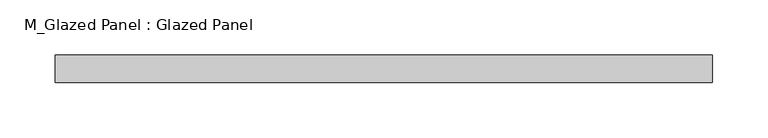
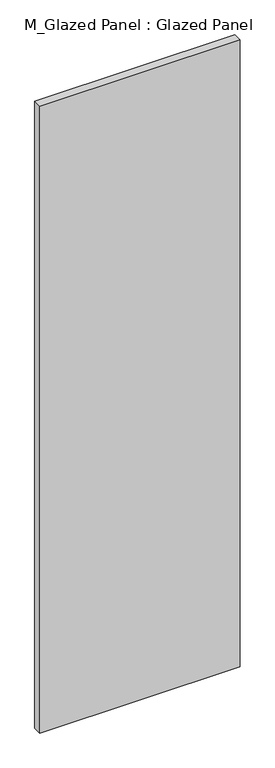
"""IFC4 building model written with IfcOpenShell, lengths in millimetres: plate geometry, M_Glazed Panel : Glazed Panel."""

import ifcopenshell
import ifcopenshell.guid

model = None  # the IFC model being written
_history = None  # IfcOwnerHistory: only IFC2X3 demands one
_inside = {}  # id of a spatial element -> (the spatial element, [elements in it])
_under = {}  # id of a project, library or spatial element -> (it, [spatial elements below it])
_declared = {}  # id of a project -> (the project, [libraries it declares])
_typed = {}  # id of a type object -> (the type object, [elements of that type])
_made_of = {}  # id of a material, layer set ... -> (it, [elements and type objects made of it])


def new_model(schema):
    """Start an empty IFC model of exactly this schema.

    Asked for "IFC4X3", IfcOpenShell would pick the latest addendum, in which some entities
    have other attributes; the version numbers below select the first issue.
    IFC2X3 requires an IfcOwnerHistory on every rooted entity: one is made here for all.
    """
    global model, _history
    if schema == "IFC4X3":
        model = ifcopenshell.file(schema_version=(4, 3, 0, 0))
    else:
        model = ifcopenshell.file(schema=schema)
    _inside.clear()
    _under.clear()
    _declared.clear()
    _typed.clear()
    _made_of.clear()
    _history = None
    if model.schema == "IFC2X3":
        org = make("IfcOrganization", Name="unknown")
        user = make(
            "IfcPersonAndOrganization",
            ThePerson=make("IfcPerson", FamilyName="unknown"),
            TheOrganization=org,
        )
        app = make(
            "IfcApplication",
            ApplicationDeveloper=org,
            Version="unknown",
            ApplicationFullName="unknown",
            ApplicationIdentifier="unknown",
        )
        _history = make(
            "IfcOwnerHistory",
            OwningUser=user,
            OwningApplication=app,
            ChangeAction="ADDED",
            CreationDate=0,
        )
    return model


def make(cls, **values):
    """One entity of the class cls with the attributes given. An attribute that is None is left unset."""
    return model.create_entity(
        cls, **{name: value for name, value in values.items() if value is not None}
    )


def rooted(cls, **values):
    """An entity with a GlobalId (a new one), such as an element, a storey or a relation."""
    return make(cls, GlobalId=ifcopenshell.guid.new(), OwnerHistory=_history, **values)


def si_unit(unit_type, name, prefix=None):
    """IfcSIUnit, for example si_unit("LENGTHUNIT", "METRE", prefix="MILLI")."""
    return make("IfcSIUnit", UnitType=unit_type, Prefix=prefix, Name=name)


def assignment(units):
    """IfcUnitAssignment: the units of a project."""
    return None if units is None else make("IfcUnitAssignment", Units=units)


def point(xyz):
    """IfcCartesianPoint."""
    return None if xyz is None else make("IfcCartesianPoint", Coordinates=xyz)


def direction(xyz):
    """IfcDirection."""
    return None if xyz is None else make("IfcDirection", DirectionRatios=xyz)


def frame(location, z_axis=None, x_axis=None):
    """IfcAxis2Placement3D, a coordinate frame: its origin and axes. An axis left out is left unset."""
    return make(
        "IfcAxis2Placement3D",
        Location=point(location),
        Axis=direction(z_axis),
        RefDirection=direction(x_axis),
    )


def origin():
    """The frame at (0, 0, 0) with its axes left unset."""
    return frame((0.0, 0.0, 0.0))


def origin_with_axes():
    """The frame at (0, 0, 0) with the z axis (0, 0, 1) and the x axis (1, 0, 0) written out."""
    return frame((0.0, 0.0, 0.0), z_axis=(0.0, 0.0, 1.0), x_axis=(1.0, 0.0, 0.0))


def place(relative_to, where):
    """IfcLocalPlacement: puts the frame where relative to a parent placement (None: the world)."""
    return make(
        "IfcLocalPlacement", PlacementRelTo=relative_to, RelativePlacement=where
    )


def context(
    kind, dimensions, precision=None, world=None, true_north=None, identifier=None
):
    """IfcGeometricRepresentationContext, for example the 3D "Model" context."""
    return make(
        "IfcGeometricRepresentationContext",
        ContextIdentifier=identifier,
        ContextType=kind,
        CoordinateSpaceDimension=dimensions,
        Precision=precision,
        WorldCoordinateSystem=world,
        TrueNorth=true_north,
    )


def project(units=None, contexts=None):
    """IfcProject with its units and contexts."""
    return rooted(
        "IfcProject",
        Name="project",
        RepresentationContexts=contexts,
        UnitsInContext=assignment(units),
    )


def spatial(cls, under=None, at=None, **own):
    """A site, building, storey or space (cls), placed at a placement, below another one or the project."""
    s = rooted(cls, ObjectPlacement=at, **own)
    if under is not None:
        _under.setdefault(under.id(), (under, []))[1].append(s)
    return s


def polyline(points):
    """IfcPolyline through the points."""
    return make("IfcPolyline", Points=[point(p) for p in points])


def outline(outer, holes=None, kind="AREA"):
    """IfcArbitraryClosedProfileDef: a profile drawn as a closed curve; with holes, ...WithVoids."""
    if holes is None:
        return make("IfcArbitraryClosedProfileDef", ProfileType=kind, OuterCurve=outer)
    return make(
        "IfcArbitraryProfileDefWithVoids",
        ProfileType=kind,
        OuterCurve=outer,
        InnerCurves=holes,
    )


def extrude(swept, where, along, depth):
    """IfcExtrudedAreaSolid: the profile swept, set in the frame where, extruded along a direction by depth."""
    return make(
        "IfcExtrudedAreaSolid",
        SweptArea=swept,
        Position=where,
        ExtrudedDirection=direction(along),
        Depth=depth,
    )


def shape(context_of_items, identifier, shape_type, items):
    """IfcShapeRepresentation: the items that make up one representation, for example the "Body"."""
    return make(
        "IfcShapeRepresentation",
        ContextOfItems=context_of_items,
        RepresentationIdentifier=identifier,
        RepresentationType=shape_type,
        Items=items,
    )


def source(mapping_origin, context_of_items, identifier, shape_type, items):
    """IfcRepresentationMap: a shape defined once, which mapped items show again and again."""
    return make(
        "IfcRepresentationMap",
        MappingOrigin=mapping_origin,
        MappedRepresentation=shape(context_of_items, identifier, shape_type, items),
    )


def transform(
    local_origin,
    x_axis=None,
    y_axis=None,
    z_axis=None,
    scale=None,
    scale2=None,
    scale3=None,
    uniform=True,
):
    """IfcCartesianTransformationOperator3D, or its non-uniform kind. x_axis, y_axis, z_axis: its Axis1, 2, 3."""
    if uniform:
        return make(
            "IfcCartesianTransformationOperator3D",
            Axis1=direction(x_axis),
            Axis2=direction(y_axis),
            LocalOrigin=point(local_origin),
            Scale=scale,
            Axis3=direction(z_axis),
        )
    return make(
        "IfcCartesianTransformationOperator3DnonUniform",
        Axis1=direction(x_axis),
        Axis2=direction(y_axis),
        LocalOrigin=point(local_origin),
        Scale=scale,
        Axis3=direction(z_axis),
        Scale2=scale2,
        Scale3=scale3,
    )


def mapped(mapping_source, mapping_target):
    """IfcMappedItem: shows the shape of a source again, moved by a transform."""
    return make(
        "IfcMappedItem", MappingSource=mapping_source, MappingTarget=mapping_target
    )


def made_of(thing, what):
    """Note that an element or type object is made of a material, layer set ...; save() writes the relation."""
    if what is not None:
        _made_of.setdefault(what.id(), (what, []))[1].append(thing)
    return thing


def element(
    cls,
    number,
    at=None,
    inside=None,
    cuts=None,
    type_object=None,
    material=None,
    context=None,
    identifier="Body",
    shape_type=None,
    held_by="IfcProductDefinitionShape",
    body=None,
    shapes=None,
    **own,
):
    """One element of the class cls, such as IfcWall. Its Tag is "e" and its number.

    at: its placement. inside: the storey or other place that contains it. cuts: it is an
    opening in that element (IfcRelVoidsElement). A single representation is given by context,
    identifier, shape_type and body (its items); several are given by shapes. held_by: the class
    of the entity that holds the representations. save() writes the other relations.
    """
    e = rooted(cls, Tag="e%d" % number, ObjectPlacement=at, **own)
    if body is not None:
        shapes = [shape(context, identifier, shape_type, body)]
    if shapes is not None:
        e.Representation = make(held_by, Representations=shapes)
    if inside is not None:
        _inside.setdefault(inside.id(), (inside, []))[1].append(e)
    if cuts is not None:
        rooted(
            "IfcRelVoidsElement", RelatingBuildingElement=cuts, RelatedOpeningElement=e
        )
    if type_object is not None:
        _typed.setdefault(type_object.id(), (type_object, []))[1].append(e)
    return made_of(e, material)


def aggregate(whole, parts):
    """IfcRelAggregates: a whole, such as a stair, and the parts it consists of."""
    return rooted("IfcRelAggregates", RelatingObject=whole, RelatedObjects=parts)


def save(model, path):
    """Write the relations noted so far, then the file.

    IfcRelAggregates (storeys below a building ...), IfcRelContainedInSpatialStructure (elements
    in a storey), IfcRelDefinesByType, IfcRelAssociatesMaterial and IfcRelDeclares: one each for
    every whole, place, type object, material and project.
    """
    for whole, parts in _under.values():
        aggregate(whole, parts)
    for where, things in _inside.values():
        rooted(
            "IfcRelContainedInSpatialStructure",
            RelatedElements=things,
            RelatingStructure=where,
        )
    for kind, things in _typed.values():
        rooted("IfcRelDefinesByType", RelatedObjects=things, RelatingType=kind)
    for what, things in _made_of.values():
        rooted("IfcRelAssociatesMaterial", RelatedObjects=things, RelatingMaterial=what)
    for by, libraries in _declared.values():
        rooted("IfcRelDeclares", RelatingContext=by, RelatedDefinitions=libraries)
    model.write(path)


def m_glazed_panel_glazed_panel_0dba285b(model_context):
    return source(origin(), model_context, "Body", "SweptSolid", [
        extrude(outline(polyline([(298.6704866, -38.5), (298.6704866, -63.5), (-298.6704866, -63.5), (-298.6704866, -38.5), (298.6704866, -38.5)])), origin_with_axes(), (0.0, 0.0, 1.0), 1975.0),
    ])


if __name__ == "__main__":
    model = new_model("IFC4")
    model_context = context("Model", 3, world=origin())
    ifc_project = project(units=[si_unit("LENGTHUNIT", "METRE", prefix="MILLI")], contexts=[model_context])
    site = spatial("IfcSite", under=ifc_project)
    building = spatial("IfcBuilding", under=site)
    placement = place(None, origin())
    m_glazed_panel_glazed_panel_shape = m_glazed_panel_glazed_panel_0dba285b(model_context)
    element("IfcPlate", 1, ObjectType="M_Glazed Panel : Glazed Panel", at=placement, inside=building, context=model_context, shape_type="MappedRepresentation", body=[
        mapped(m_glazed_panel_glazed_panel_shape, transform((0.0, 0.0, 0.0), x_axis=(1.0, 0.0, 0.0), y_axis=(0.0, 1.0, 0.0), z_axis=(0.0, 0.0, 1.0))),
    ])
    save(model, "model.ifc")
